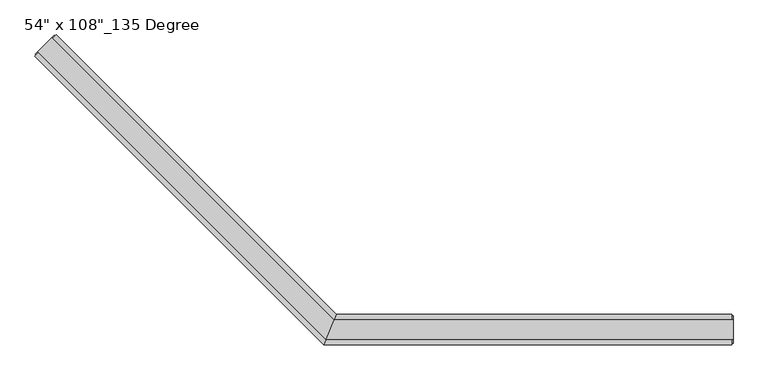
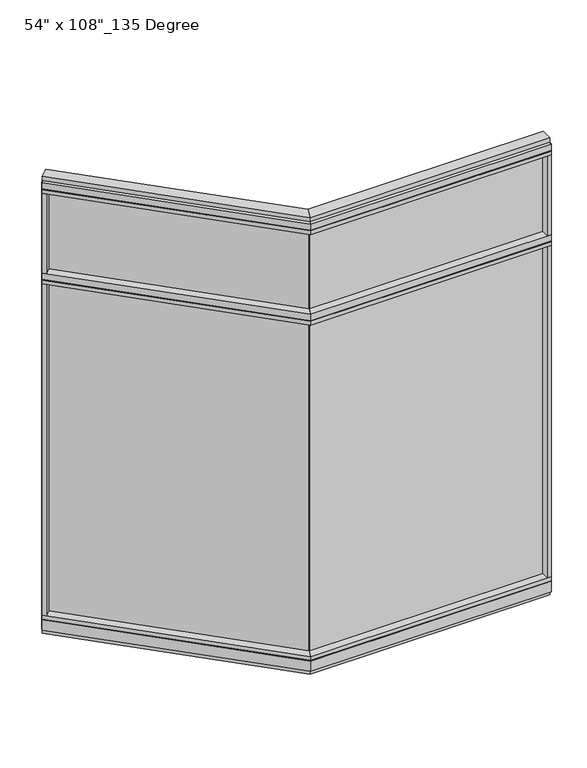
"""IFC4 building model written with IfcOpenShell, lengths in millimetres: furniture geometry."""

from ifc_helpers import new_model, si_unit, frame, origin, origin_with_axes, place, context, project, spatial, polyline, outline, extrude, faceted_brep, source, transform, mapped, element, save


def furniture_6bce2a69(model_context):
    return source(origin(), model_context, "Body", "SolidModel", [
        extrude(outline(polyline([(-1664.8759344, 928.3795339), (-1657.6917295, 935.5637388), (-719.7937802, -2.3342105), (-726.9779851, -9.5184154), (-1664.8759344, 928.3795339)])), frame((0.0, 0.0, 2174.875), z_axis=(0.0, 0.0, 1.0), x_axis=(1.0, 0.0, 0.0)), (0.0, 0.0, 1.0), 457.2),
        extrude(outline(polyline([(-1664.8759344, 928.3795339), (-1657.6917295, 935.5637388), (-719.7937802, -2.3342105), (-726.9779851, -9.5184154), (-1664.8759344, 928.3795339)])), frame((0.0, 0.0, 120.523), z_axis=(0.0, 0.0, 1.0), x_axis=(1.0, 0.0, 0.0)), (0.0, 0.0, 1.0), 2013.077),
        extrude(outline(polyline([(-1641.0782556, 983.608109), (-703.752425, 46.2822784), (-745.8365229, -55.3177216), (-1712.9203046, 911.76606), (-1641.0782556, 983.608109)])), frame((0.0, 0.0, 2111.375), z_axis=(0.0, 0.0, 1.0), x_axis=(1.0, 0.0, 0.0)), (0.0, 0.0, 1.0), 22.225),
        faceted_brep([(-703.752425, 46.2822784, 2138.553), (-703.752425, 46.2822784, 2174.875), (-745.8365229, -55.3177216, 2174.875), (-745.8365229, -55.3177216, 2138.553), (-743.7849232, -50.3647216, 2138.553), (-743.7849232, -50.3647216, 2133.6), (-705.8040248, 41.3292784, 2133.6), (-705.8040248, 41.3292784, 2138.553), (-1641.0782556, 983.608109, 2138.553), (-1644.5805555, 980.1058091, 2138.553), (-1644.5805555, 980.1058091, 2133.6), (-1709.4180047, 915.2683599, 2133.6), (-1709.4180047, 915.2683599, 2138.553), (-1712.9203046, 911.76606, 2138.553), (-1712.9203046, 911.76606, 2174.875), (-1641.0782556, 983.608109, 2174.875)], [[[0, 1, 2, 3, 4, 5, 6, 7]], [[8, 9, 10, 11, 12, 13, 14, 15]], [[8, 0, 7, 9]], [[13, 3, 2, 14]], [[14, 2, 1, 15]], [[15, 1, 0, 8]], [[9, 7, 6, 10]], [[10, 6, 5, 11]], [[11, 5, 4, 12]], [[12, 4, 3, 13]]]),
        extrude(outline(polyline([(-1697.2048564, 896.0506118), (-1712.9203046, 911.76606), (-1641.0782556, 983.608109), (-1625.3628074, 967.8926608), (-1697.2048564, 896.0506118)])), frame((0.0, 0.0, 2174.875), z_axis=(0.0, 0.0, 1.0), x_axis=(1.0, 0.0, 0.0)), (0.0, 0.0, 1.0), 479.425),
        extrude(outline(polyline([(-1641.0782556, 983.608109), (-703.752425, 46.2822784), (-745.8365229, -55.3177216), (-1712.9203046, 911.76606), (-1641.0782556, 983.608109)])), frame((0.0, 0.0, 2654.3), z_axis=(0.0, 0.0, 1.0), x_axis=(1.0, 0.0, 0.0)), (0.0, 0.0, 1.0), 22.225),
        faceted_brep([(-703.752425, 46.2822784, 2681.478), (-703.752425, 46.2822784, 2717.8), (-745.8365229, -55.3177216, 2717.8), (-745.8365229, -55.3177216, 2681.478), (-743.7849232, -50.3647216, 2681.478), (-743.7849232, -50.3647216, 2676.525), (-705.8040248, 41.3292784, 2676.525), (-705.8040248, 41.3292784, 2681.478), (-1641.0782556, 983.608109, 2681.478), (-1644.5805555, 980.1058091, 2681.478), (-1644.5805555, 980.1058091, 2676.525), (-1709.4180047, 915.2683599, 2676.525), (-1709.4180047, 915.2683599, 2681.478), (-1712.9203046, 911.76606, 2681.478), (-1712.9203046, 911.76606, 2717.8), (-1641.0782556, 983.608109, 2717.8)], [[[0, 1, 2, 3, 4, 5, 6, 7]], [[8, 9, 10, 11, 12, 13, 14, 15]], [[8, 0, 7, 9]], [[13, 3, 2, 14]], [[14, 2, 1, 15]], [[15, 1, 0, 8]], [[9, 7, 6, 10]], [[10, 6, 5, 11]], [[11, 5, 4, 12]], [[12, 4, 3, 13]]]),
        extrude(outline(polyline([(-1656.7937039, 973.4604196), (-711.3275626, 27.9942784), (-738.2613853, -37.0297216), (-1702.7726152, 927.4815083), (-1656.7937039, 973.4604196)])), frame((0.0, 0.0, 2717.8), z_axis=(0.0, 0.0, 1.0), x_axis=(1.0, 0.0, 0.0)), (0.0, 0.0, 1.0), 25.4),
        faceted_brep([(-705.8040248, 41.3292784, 93.345), (-705.8040248, 41.3292784, 98.298), (-743.7849232, -50.3647216, 98.298), (-743.7849232, -50.3647216, 93.345), (-745.8365229, -55.3177216, 93.345), (-745.8365229, -55.3177216, 31.75), (-703.752425, 46.2822784, 31.75), (-703.752425, 46.2822784, 93.345), (-1641.0782556, 983.608109, 93.345), (-1641.0782556, 983.608109, 31.75), (-1712.9203046, 911.76606, 31.75), (-1712.9203046, 911.76606, 93.345), (-1709.4180047, 915.2683599, 93.345), (-1709.4180047, 915.2683599, 98.298), (-1644.5805555, 980.1058091, 98.298), (-1644.5805555, 980.1058091, 93.345)], [[[0, 1, 2, 3, 4, 5, 6, 7]], [[8, 9, 10, 11, 12, 13, 14, 15]], [[15, 0, 7, 8]], [[10, 5, 4, 11]], [[9, 6, 5, 10]], [[8, 7, 6, 9]], [[14, 1, 0, 15]], [[13, 2, 1, 14]], [[12, 3, 2, 13]], [[11, 4, 3, 12]]]),
        extrude(outline(polyline([(-1641.0782556, 983.608109), (-703.752425, 46.2822784), (-745.8365229, -55.3177216), (-1712.9203046, 911.76606), (-1641.0782556, 983.608109)])), frame((0.0, 0.0, 98.298), z_axis=(0.0, 0.0, 1.0), x_axis=(1.0, 0.0, 0.0)), (0.0, 0.0, 1.0), 22.225),
        extrude(outline(polyline([(-1656.7937039, 973.4604196), (-711.3275626, 27.9942784), (-738.2613853, -37.0297216), (-1702.7726152, 927.4815083), (-1656.7937039, 973.4604196)])), origin_with_axes(), (0.0, 0.0, 1.0), 31.75),
        extrude(outline(polyline([(-1697.2048564, 896.0506118), (-1712.9203046, 911.76606), (-1641.0782556, 983.608109), (-1625.3628074, 967.8926608), (-1697.2048564, 896.0506118)])), frame((0.0, 0.0, 120.523), z_axis=(0.0, 0.0, 1.0), x_axis=(1.0, 0.0, 0.0)), (0.0, 0.0, 1.0), 1990.852),
        extrude(outline(polyline([(-1712.2018841, 918.0522393), (-1647.3644349, 982.8896885), (-1644.5805555, 980.1058091), (-1709.4180047, 915.2683599), (-1712.2018841, 918.0522393)])), frame((0.0, 0.0, 31.75), z_axis=(0.0, 0.0, 1.0), x_axis=(1.0, 0.0, 0.0)), (0.0, 0.0, 1.0), 2686.05),
        extrude(outline(polyline([(599.6014771, -9.5977216), (-726.7865229, -9.5977216), (-726.7865229, 0.5622784), (599.6014771, 0.5622784), (599.6014771, -9.5977216)])), frame((0.0, 0.0, 2174.875), z_axis=(0.0, 0.0, 1.0), x_axis=(1.0, 0.0, 0.0)), (0.0, 0.0, 1.0), 457.2),
        extrude(outline(polyline([(599.6014771, -9.5977216), (-726.7865229, -9.5977216), (-726.7865229, 0.5622784), (599.6014771, 0.5622784), (599.6014771, -9.5977216)])), frame((0.0, 0.0, 120.523), z_axis=(0.0, 0.0, 1.0), x_axis=(1.0, 0.0, 0.0)), (0.0, 0.0, 1.0), 2013.077),
        extrude(outline(polyline([(621.8264771, 46.2822784), (621.8264771, -55.3177216), (-745.8365229, -55.3177216), (-703.752425, 46.2822784), (621.8264771, 46.2822784)])), frame((0.0, 0.0, 2111.375), z_axis=(0.0, 0.0, 1.0), x_axis=(1.0, 0.0, 0.0)), (0.0, 0.0, 1.0), 22.225),
        faceted_brep([(-703.752425, 46.2822784, 2138.553), (-705.8040248, 41.3292784, 2138.553), (-705.8040248, 41.3292784, 2133.6), (-743.7849232, -50.3647216, 2133.6), (-743.7849232, -50.3647216, 2138.553), (-745.8365229, -55.3177216, 2138.553), (-745.8365229, -55.3177216, 2174.875), (-703.752425, 46.2822784, 2174.875), (621.8264771, 46.2822784, 2138.553), (621.8264771, 46.2822784, 2174.875), (621.8264771, -55.3177216, 2174.875), (621.8264771, -55.3177216, 2138.553), (621.8264771, -50.3647216, 2138.553), (621.8264771, -50.3647216, 2133.6), (621.8264771, 41.3292784, 2133.6), (621.8264771, 41.3292784, 2138.553)], [[[0, 1, 2, 3, 4, 5, 6, 7]], [[8, 9, 10, 11, 12, 13, 14, 15]], [[8, 15, 1, 0]], [[11, 10, 6, 5]], [[10, 9, 7, 6]], [[9, 8, 0, 7]], [[15, 14, 2, 1]], [[14, 13, 3, 2]], [[13, 12, 4, 3]], [[12, 11, 5, 4]]]),
        extrude(outline(polyline([(599.6014771, -55.3177216), (599.6014771, 46.2822784), (621.8264771, 46.2822784), (621.8264771, -55.3177216), (599.6014771, -55.3177216)])), frame((0.0, 0.0, 2174.875), z_axis=(0.0, 0.0, 1.0), x_axis=(1.0, 0.0, 0.0)), (0.0, 0.0, 1.0), 479.425),
        extrude(outline(polyline([(621.8264771, 46.2822784), (621.8264771, -55.3177216), (-745.8365229, -55.3177216), (-703.752425, 46.2822784), (621.8264771, 46.2822784)])), frame((0.0, 0.0, 2654.3), z_axis=(0.0, 0.0, 1.0), x_axis=(1.0, 0.0, 0.0)), (0.0, 0.0, 1.0), 22.225),
        faceted_brep([(-703.752425, 46.2822784, 2681.478), (-705.8040248, 41.3292784, 2681.478), (-705.8040248, 41.3292784, 2676.525), (-743.7849232, -50.3647216, 2676.525), (-743.7849232, -50.3647216, 2681.478), (-745.8365229, -55.3177216, 2681.478), (-745.8365229, -55.3177216, 2717.8), (-703.752425, 46.2822784, 2717.8), (621.8264771, 46.2822784, 2681.478), (621.8264771, 46.2822784, 2717.8), (621.8264771, -55.3177216, 2717.8), (621.8264771, -55.3177216, 2681.478), (621.8264771, -50.3647216, 2681.478), (621.8264771, -50.3647216, 2676.525), (621.8264771, 41.3292784, 2676.525), (621.8264771, 41.3292784, 2681.478)], [[[0, 1, 2, 3, 4, 5, 6, 7]], [[8, 9, 10, 11, 12, 13, 14, 15]], [[8, 15, 1, 0]], [[11, 10, 6, 5]], [[10, 9, 7, 6]], [[9, 8, 0, 7]], [[15, 14, 2, 1]], [[14, 13, 3, 2]], [[13, 12, 4, 3]], [[12, 11, 5, 4]]]),
        extrude(outline(polyline([(625.7634771, 27.9942784), (625.7634771, -37.0297216), (-738.2613853, -37.0297216), (-711.3275626, 27.9942784), (625.7634771, 27.9942784)])), frame((0.0, 0.0, 2717.8), z_axis=(0.0, 0.0, 1.0), x_axis=(1.0, 0.0, 0.0)), (0.0, 0.0, 1.0), 25.4),
        faceted_brep([(-705.8040248, 41.3292784, 93.345), (-703.752425, 46.2822784, 93.345), (-703.752425, 46.2822784, 31.75), (-745.8365229, -55.3177216, 31.75), (-745.8365229, -55.3177216, 93.345), (-743.7849232, -50.3647216, 93.345), (-743.7849232, -50.3647216, 98.298), (-705.8040248, 41.3292784, 98.298), (621.8264771, 46.2822784, 93.345), (621.8264771, 41.3292784, 93.345), (621.8264771, 41.3292784, 98.298), (621.8264771, -50.3647216, 98.298), (621.8264771, -50.3647216, 93.345), (621.8264771, -55.3177216, 93.345), (621.8264771, -55.3177216, 31.75), (621.8264771, 46.2822784, 31.75)], [[[0, 1, 2, 3, 4, 5, 6, 7]], [[8, 9, 10, 11, 12, 13, 14, 15]], [[9, 8, 1, 0]], [[14, 13, 4, 3]], [[15, 14, 3, 2]], [[8, 15, 2, 1]], [[10, 9, 0, 7]], [[11, 10, 7, 6]], [[12, 11, 6, 5]], [[13, 12, 5, 4]]]),
        extrude(outline(polyline([(621.8264771, 46.2822784), (621.8264771, -55.3177216), (-745.8365229, -55.3177216), (-703.752425, 46.2822784), (621.8264771, 46.2822784)])), frame((0.0, 0.0, 98.298), z_axis=(0.0, 0.0, 1.0), x_axis=(1.0, 0.0, 0.0)), (0.0, 0.0, 1.0), 22.225),
        extrude(outline(polyline([(625.7634771, 27.9942784), (625.7634771, -37.0297216), (-738.2613853, -37.0297216), (-711.3275626, 27.9942784), (625.7634771, 27.9942784)])), origin_with_axes(), (0.0, 0.0, 1.0), 31.75),
        extrude(outline(polyline([(599.6014771, -55.3177216), (599.6014771, 46.2822784), (621.8264771, 46.2822784), (621.8264771, -55.3177216), (599.6014771, -55.3177216)])), frame((0.0, 0.0, 120.523), z_axis=(0.0, 0.0, 1.0), x_axis=(1.0, 0.0, 0.0)), (0.0, 0.0, 1.0), 1990.852),
        extrude(outline(polyline([(625.7634771, -50.3647216), (621.8264771, -50.3647216), (621.8264771, 41.3292784), (625.7634771, 41.3292784), (625.7634771, -50.3647216)])), frame((0.0, 0.0, 31.75), z_axis=(0.0, 0.0, 1.0), x_axis=(1.0, 0.0, 0.0)), (0.0, 0.0, 1.0), 2686.05),
    ])


if __name__ == "__main__":
    model = new_model("IFC4")
    model_context = context("Model", 3, world=origin())
    ifc_project = project(units=[si_unit("LENGTHUNIT", "METRE", prefix="MILLI")], contexts=[model_context])
    site = spatial("IfcSite", under=ifc_project)
    building = spatial("IfcBuilding", under=site)
    placement = place(None, origin())
    furniture_shape = furniture_6bce2a69(model_context)
    element("IfcFurniture", 1, ObjectType="54\" x 108\"_135 Degree", at=placement, inside=building, context=model_context, shape_type="MappedRepresentation", body=[
        mapped(furniture_shape, transform((0.0, 0.0, 0.0), x_axis=(1.0, 0.0, 0.0), y_axis=(0.0, 1.0, 0.0), z_axis=(0.0, 0.0, 1.0))),
    ])
    save(model, "model.ifc")
